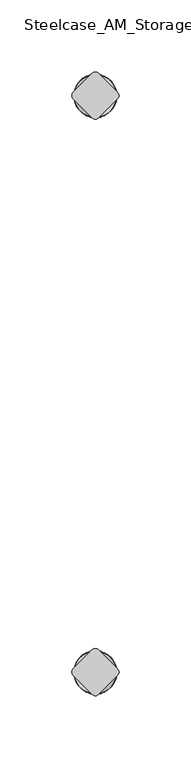
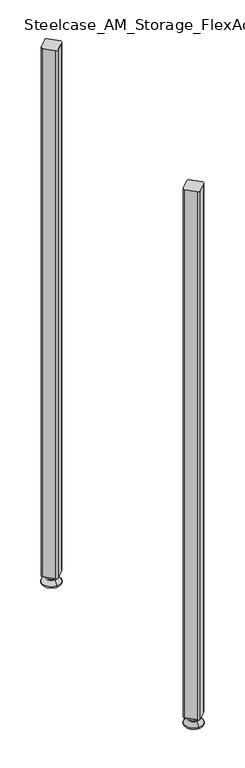
"""IFC4 building model written with IfcOpenShell, lengths in millimetres: furniture geometry, Steelcase_AM_Storage_FlexActiveFrames_FrameExtension : 2 High."""

from ifc_helpers import new_model, si_unit, point, frame, frame_2d, origin, place, context, project, spatial, polyline, circle_curve, ellipse_curve, trimmed, segment, composite_curve, outline, extrude, source, transform, mapped, element, save
from ifc_brep_helpers import plane_surface, cylinder_surface, revolved_surface, advanced_brep


def steelcase_am_storage_flexactiveframes_frameextension_2_high_744c0d1b(model_context):
    return source(origin(), model_context, "Body", "SolidModel", [
        advanced_brep(
        [(400.05, -3.999659, 15.9766), (400.05, 0.0, 15.9766), (400.05, 3.999659, 15.9766), (400.05, -3.999659, 12.6000054), (400.05, 3.999659, 12.6000054), (400.05, -5.8601455, 12.6000054), (400.05, 5.8601455, 12.6000054), (400.05, -6.4951462, 11.9650074), (400.05, 6.4951462, 11.9650074), (400.05, -6.4951462, 9.0000124), (400.05, 6.4951462, 9.0000124), (400.05, -8.7421976, 9.0000124), (400.05, 8.7421976, 9.0000124), (400.05, -14.7060077, 2.3275608), (400.05, 14.7060077, 2.3275608), (400.05, -13.664601, 0.0), (400.05, 13.664601, 0.0), (400.05, 0.0, 0.0)],
        [
            (0, 1),
            (1, 2),
            (2, 0, circle_curve(frame((400.05, 0.0, 15.9766), z_axis=(0.0, 0.0, 1.0), x_axis=(0.0, 1.0, 0.0)), 3.999659)),
            (0, 2, circle_curve(frame((400.05, 0.0, 15.9766), z_axis=(0.0, 0.0, 1.0), x_axis=(0.0, 1.0, 0.0)), 3.999659)),
            (3, 0),
            (2, 4),
            (4, 3, circle_curve(frame((400.05, 0.0, 12.6000054), z_axis=(0.0, 0.0, 1.0), x_axis=(0.0, 1.0, 0.0)), 3.999659)),
            (3, 4, circle_curve(frame((400.05, 0.0, 12.6000054), z_axis=(0.0, 0.0, 1.0), x_axis=(0.0, 1.0, 0.0)), 3.999659)),
            (5, 3),
            (4, 6),
            (6, 5, circle_curve(frame((400.05, 0.0, 12.6000054), z_axis=(0.0, 0.0, 1.0), x_axis=(0.0, 1.0, 0.0)), 5.8601455)),
            (5, 6, circle_curve(frame((400.05, 0.0, 12.6000054), z_axis=(0.0, 0.0, 1.0), x_axis=(0.0, 1.0, 0.0)), 5.8601455)),
            (7, 5, circle_curve(frame((400.05, -5.8601462, 11.9650074), z_axis=(-1.0, 0.0, 0.0), x_axis=(0.0, -1.0, 0.0)), 0.635)),
            (6, 8, circle_curve(frame((400.05, 5.8601462, 11.9650074), z_axis=(-1.0, 0.0, 0.0), x_axis=(0.0, 1.0, 0.0)), 0.635)),
            (8, 7, circle_curve(frame((400.05, 0.0, 11.9650074), z_axis=(0.0, 0.0, 1.0), x_axis=(0.0, 1.0, 0.0)), 6.4951462)),
            (7, 8, circle_curve(frame((400.05, 0.0, 11.9650074), z_axis=(0.0, 0.0, 1.0), x_axis=(0.0, 1.0, 0.0)), 6.4951462)),
            (9, 7),
            (8, 10),
            (10, 9, circle_curve(frame((400.05, 0.0, 9.0000124), z_axis=(0.0, 0.0, 1.0), x_axis=(0.0, 1.0, 0.0)), 6.4951462)),
            (9, 10, circle_curve(frame((400.05, 0.0, 9.0000124), z_axis=(0.0, 0.0, 1.0), x_axis=(0.0, 1.0, 0.0)), 6.4951462)),
            (11, 9),
            (10, 12),
            (12, 11, circle_curve(frame((400.05, 0.0, 9.0000124), z_axis=(0.0, 0.0, 1.0), x_axis=(0.0, 1.0, 0.0)), 8.7421976)),
            (11, 12, circle_curve(frame((400.05, 0.0, 9.0000124), z_axis=(0.0, 0.0, 1.0), x_axis=(0.0, 1.0, 0.0)), 8.7421976)),
            (13, 11),
            (12, 14),
            (14, 13, circle_curve(frame((400.05, 0.0, 2.3275608), z_axis=(0.0, 0.0, 1.0), x_axis=(0.0, 1.0, 0.0)), 14.7060077)),
            (13, 14, circle_curve(frame((400.05, 0.0, 2.3275608), z_axis=(0.0, 0.0, 1.0), x_axis=(0.0, 1.0, 0.0)), 14.7060077)),
            (15, 13, circle_curve(frame((400.05, -13.664601, 1.3967556), z_axis=(-1.0, 0.0, 0.0), x_axis=(0.0, -1.0, 0.0)), 1.3967556)),
            (14, 16, circle_curve(frame((400.05, 13.664601, 1.3967556), z_axis=(-1.0, 0.0, 0.0), x_axis=(0.0, 1.0, 0.0)), 1.3967556)),
            (16, 15, circle_curve(frame((400.05, 0.0, 0.0), z_axis=(0.0, 0.0, 1.0), x_axis=(0.0, 1.0, 0.0)), 13.664601)),
            (15, 16, circle_curve(frame((400.05, 0.0, 0.0), z_axis=(0.0, 0.0, 1.0), x_axis=(0.0, 1.0, 0.0)), 13.664601)),
            (17, 15),
            (16, 17),
        ],
        [
            plane_surface(frame((400.05, 0.0, 15.9766), z_axis=(0.0, 0.0, 1.0), x_axis=(0.0, 1.0, 0.0))),
            cylinder_surface(frame((400.05, 0.0, -4.132372), z_axis=(0.0, 0.0, -1.0), x_axis=(0.0, 1.0, 0.0)), 3.999659),
            plane_surface(frame((400.05, 0.0, 12.6000054), z_axis=(0.0, 0.0, 1.0), x_axis=(0.0, 1.0, 0.0))),
            revolved_surface(trimmed(ellipse_curve(frame((400.05, 5.8601462, 11.9650074), z_axis=(-1.0, 0.0, 0.0), x_axis=(0.0, 1.0, 0.0)), 0.635, 0.635), [point((400.05, 5.8601455, 12.6000074))], [point((400.05, 6.4951462, 11.9650074))], True, "CARTESIAN"), (400.05, 0.0, -4.132372), (0.0, 0.0, -1.0)),
            cylinder_surface(frame((400.05, 0.0, -4.132372), z_axis=(0.0, 0.0, -1.0), x_axis=(0.0, 1.0, 0.0)), 6.4951462),
            plane_surface(frame((400.05, 0.0, 9.0000124), z_axis=(0.0, 0.0, 1.0), x_axis=(0.0, 1.0, 0.0))),
            revolved_surface(polyline([(400.05, 8.7421976, 9.0000124), (400.05, 14.7060077, 2.3275608)]), (400.05, 0.0, -4.132372), (0.0, 0.0, -1.0)),
            revolved_surface(trimmed(ellipse_curve(frame((400.05, 13.664601, 1.3967556), z_axis=(-1.0, 0.0, 0.0), x_axis=(0.0, 1.0, 0.0)), 1.3967556, 1.3967556), [point((400.05, 14.7060077, 2.3275608))], [point((400.05, 13.664601, 0.0))], True, "CARTESIAN"), (400.05, 0.0, -4.132372), (0.0, 0.0, -1.0)),
            plane_surface(frame((400.05, 0.0, 0.0), z_axis=(0.0, 0.0, -1.0), x_axis=(0.0, 1.0, 0.0))),
        ],
        [
            (0, [[1, 2, 3]]),
            (0, [[-2, -1, 4]]),
            (1, [[5, -3, 6, 7]]),
            (1, [[-6, -4, -5, 8]]),
            (2, [[9, -7, 10, 11]]),
            (2, [[-10, -8, -9, 12]]),
            (3, [[13, -11, 14, 15]]),
            (3, [[-14, -12, -13, 16]]),
            (4, [[17, -15, 18, 19]]),
            (4, [[-18, -16, -17, 20]]),
            (5, [[21, -19, 22, 23]]),
            (5, [[-22, -20, -21, 24]]),
            (6, [[25, -23, 26, 27]]),
            (6, [[-26, -24, -25, 28]]),
            (7, [[29, -27, 30, 31]]),
            (7, [[-30, -28, -29, 32]]),
            (8, [[33, -31, 34]]),
            (8, [[-34, -32, -33]]),
        ],
    ),
        advanced_brep(
        [(400.05, 400.05, 15.9766), (400.05, 404.049659, 15.9766), (400.05, 396.050341, 15.9766), (400.05, 404.049659, 12.6000054), (400.05, 396.050341, 12.6000054), (400.05, 405.9101455, 12.6000074), (400.05, 394.1898545, 12.6000074), (400.05, 406.5451462, 11.9650074), (400.05, 393.5548538, 11.9650074), (400.05, 406.5451462, 9.0000124), (400.05, 393.5548538, 9.0000124), (400.05, 408.7921976, 9.0000124), (400.05, 391.3078024, 9.0000124), (400.05, 414.7560077, 2.3275608), (400.05, 385.3439923, 2.3275608), (400.05, 413.714601, 0.0), (400.05, 386.385399, 0.0), (400.05, 400.05, 0.0)],
        [
            (0, 1),
            (1, 2, circle_curve(frame((400.05, 400.05, 15.9766), z_axis=(0.0, 0.0, 1.0), x_axis=(0.0, -1.0, 0.0)), 3.999659)),
            (2, 0),
            (2, 1, circle_curve(frame((400.05, 400.05, 15.9766), z_axis=(0.0, 0.0, 1.0), x_axis=(0.0, -1.0, 0.0)), 3.999659)),
            (1, 3),
            (3, 4, circle_curve(frame((400.05, 400.05, 12.6000054), z_axis=(0.0, 0.0, 1.0), x_axis=(0.0, -1.0, 0.0)), 3.999659)),
            (4, 2),
            (4, 3, circle_curve(frame((400.05, 400.05, 12.6000054), z_axis=(0.0, 0.0, 1.0), x_axis=(0.0, -1.0, 0.0)), 3.999659)),
            (3, 5),
            (5, 6, circle_curve(frame((400.05, 400.05, 12.6000074), z_axis=(0.0, 0.0, 1.0), x_axis=(0.0, -1.0, 0.0)), 5.8601455)),
            (6, 4),
            (6, 5, circle_curve(frame((400.05, 400.05, 12.6000074), z_axis=(0.0, 0.0, 1.0), x_axis=(0.0, -1.0, 0.0)), 5.8601455)),
            (5, 7, circle_curve(frame((400.05, 405.9101462, 11.9650074), z_axis=(-1.0, 0.0, 0.0), x_axis=(0.0, 1.0, 0.0)), 0.635)),
            (7, 8, circle_curve(frame((400.05, 400.05, 11.9650074), z_axis=(0.0, 0.0, 1.0), x_axis=(0.0, -1.0, 0.0)), 6.4951462)),
            (8, 6, circle_curve(frame((400.05, 394.1898538, 11.9650074), z_axis=(-1.0, 0.0, 0.0), x_axis=(0.0, -1.0, 0.0)), 0.635)),
            (8, 7, circle_curve(frame((400.05, 400.05, 11.9650074), z_axis=(0.0, 0.0, 1.0), x_axis=(0.0, -1.0, 0.0)), 6.4951462)),
            (7, 9),
            (9, 10, circle_curve(frame((400.05, 400.05, 9.0000124), z_axis=(0.0, 0.0, 1.0), x_axis=(0.0, -1.0, 0.0)), 6.4951462)),
            (10, 8),
            (10, 9, circle_curve(frame((400.05, 400.05, 9.0000124), z_axis=(0.0, 0.0, 1.0), x_axis=(0.0, -1.0, 0.0)), 6.4951462)),
            (9, 11),
            (11, 12, circle_curve(frame((400.05, 400.05, 9.0000124), z_axis=(0.0, 0.0, 1.0), x_axis=(0.0, -1.0, 0.0)), 8.7421976)),
            (12, 10),
            (12, 11, circle_curve(frame((400.05, 400.05, 9.0000124), z_axis=(0.0, 0.0, 1.0), x_axis=(0.0, -1.0, 0.0)), 8.7421976)),
            (11, 13),
            (13, 14, circle_curve(frame((400.05, 400.05, 2.3275608), z_axis=(0.0, 0.0, 1.0), x_axis=(0.0, -1.0, 0.0)), 14.7060077)),
            (14, 12),
            (14, 13, circle_curve(frame((400.05, 400.05, 2.3275608), z_axis=(0.0, 0.0, 1.0), x_axis=(0.0, -1.0, 0.0)), 14.7060077)),
            (13, 15, circle_curve(frame((400.05, 413.714601, 1.3967556), z_axis=(-1.0, 0.0, 0.0), x_axis=(0.0, 1.0, 0.0)), 1.3967556)),
            (15, 16, circle_curve(frame((400.05, 400.05, 0.0), z_axis=(0.0, 0.0, 1.0), x_axis=(0.0, -1.0, 0.0)), 13.664601)),
            (16, 14, circle_curve(frame((400.05, 386.385399, 1.3967556), z_axis=(-1.0, 0.0, 0.0), x_axis=(0.0, -1.0, 0.0)), 1.3967556)),
            (16, 15, circle_curve(frame((400.05, 400.05, 0.0), z_axis=(0.0, 0.0, 1.0), x_axis=(0.0, -1.0, 0.0)), 13.664601)),
            (15, 17),
            (17, 16),
        ],
        [
            plane_surface(frame((400.05, 400.05, 15.9766), z_axis=(0.0, 0.0, 1.0), x_axis=(0.0, -1.0, 0.0))),
            cylinder_surface(frame((400.05, 400.05, -4.132372), z_axis=(0.0, 0.0, 1.0), x_axis=(0.0, -1.0, 0.0)), 3.999659),
            plane_surface(frame((400.05, 400.05, 12.6000074), z_axis=(0.0, 0.0, 1.0), x_axis=(0.0, -1.0, 0.0))),
            revolved_surface(trimmed(ellipse_curve(frame((400.05, 394.1898538, 11.9650074), z_axis=(-1.0, 0.0, 0.0), x_axis=(0.0, -1.0, 0.0)), 0.635, 0.635), [point((400.05, 393.5548538, 11.9650074))], [point((400.05, 394.1898545, 12.6000074))], True, "CARTESIAN"), (400.05, 400.05, -4.132372), (0.0, 0.0, 1.0)),
            cylinder_surface(frame((400.05, 400.05, -4.132372), z_axis=(0.0, 0.0, 1.0), x_axis=(0.0, -1.0, 0.0)), 6.4951462),
            plane_surface(frame((400.05, 400.05, 9.0000124), z_axis=(0.0, 0.0, 1.0), x_axis=(0.0, -1.0, 0.0))),
            revolved_surface(polyline([(400.05, 385.3439923, 2.3275608), (400.05, 391.3078024, 9.0000124)]), (400.05, 400.05, -4.132372), (0.0, 0.0, 1.0)),
            revolved_surface(trimmed(ellipse_curve(frame((400.05, 386.385399, 1.3967556), z_axis=(-1.0, 0.0, 0.0), x_axis=(0.0, -1.0, 0.0)), 1.3967556, 1.3967556), [point((400.05, 386.385399, 0.0))], [point((400.05, 385.3439923, 2.3275608))], True, "CARTESIAN"), (400.05, 400.05, -4.132372), (0.0, 0.0, 1.0)),
            plane_surface(frame((400.05, 400.05, 0.0), z_axis=(0.0, 0.0, -1.0), x_axis=(0.0, -1.0, 0.0))),
        ],
        [
            (0, [[1, 2, 3]]),
            (0, [[-3, 4, -1]]),
            (1, [[5, 6, 7, -2]]),
            (1, [[-7, 8, -5, -4]]),
            (2, [[9, 10, 11, -6]]),
            (2, [[-11, 12, -9, -8]]),
            (3, [[13, 14, 15, -10]]),
            (3, [[-15, 16, -13, -12]]),
            (4, [[17, 18, 19, -14]]),
            (4, [[-19, 20, -17, -16]]),
            (5, [[21, 22, 23, -18]]),
            (5, [[-23, 24, -21, -20]]),
            (6, [[25, 26, 27, -22]]),
            (6, [[-27, 28, -25, -24]]),
            (7, [[29, 30, 31, -26]]),
            (7, [[-31, 32, -29, -28]]),
            (8, [[33, 34, -30]]),
            (8, [[-34, -33, -32]]),
        ],
    ),
        extrude(outline(composite_curve([segment(polyline([(402.295064, 15.4326055), (415.4826055, 2.245064)]), True, "CONTINUOUS"), segment(trimmed(circle_curve(frame_2d((413.2375415, 0.0)), 3.175), [point((415.4826055, 2.245064))], [point((415.4826055, -2.245064))], False, "CARTESIAN"), True, "CONTINUOUS"), segment(polyline([(415.4826055, -2.245064), (402.295064, -15.4326055)]), True, "CONTINUOUS"), segment(trimmed(circle_curve(frame_2d((400.05, -13.1875415)), 3.175), [point((402.295064, -15.4326055))], [point((397.804936, -15.4326055))], False, "CARTESIAN"), True, "CONTINUOUS"), segment(polyline([(397.804936, -15.4326055), (384.6173945, -2.245064)]), True, "CONTINUOUS"), segment(trimmed(circle_curve(frame_2d((386.8624585, 0.0)), 3.175), [point((384.6173945, -2.245064))], [point((384.6173945, 2.245064))], False, "CARTESIAN"), True, "CONTINUOUS"), segment(polyline([(384.6173945, 2.245064), (397.804936, 15.4326055)]), True, "CONTINUOUS"), segment(trimmed(circle_curve(frame_2d((400.05, 13.1875415)), 3.175), [point((397.804936, 15.4326055))], [point((402.295064, 15.4326055))], False, "CARTESIAN"), True, "CONTINUOUS")], self_intersect=False)), frame((0.0, 0.0, 15.9766), z_axis=(0.0, 0.0, 1.0), x_axis=(1.0, 0.0, 0.0)), (0.0, 0.0, 1.0), 907.3134),
        extrude(outline(composite_curve([segment(trimmed(circle_curve(frame_2d((400.05, 386.8624585)), 3.175), [point((402.295064, 384.6173945))], [point((397.804936, 384.6173945))], False, "CARTESIAN"), True, "CONTINUOUS"), segment(polyline([(397.804936, 384.6173945), (384.6173945, 397.804936)]), True, "CONTINUOUS"), segment(trimmed(circle_curve(frame_2d((386.8624585, 400.05)), 3.175), [point((384.6173945, 397.804936))], [point((384.6173945, 402.295064))], False, "CARTESIAN"), True, "CONTINUOUS"), segment(polyline([(384.6173945, 402.295064), (397.804936, 415.4826055)]), True, "CONTINUOUS"), segment(trimmed(circle_curve(frame_2d((400.05, 413.2375415)), 3.175), [point((397.804936, 415.4826055))], [point((402.295064, 415.4826055))], False, "CARTESIAN"), True, "CONTINUOUS"), segment(polyline([(402.295064, 415.4826055), (415.4826055, 402.295064)]), True, "CONTINUOUS"), segment(trimmed(circle_curve(frame_2d((413.2375415, 400.05)), 3.175), [point((415.4826055, 402.295064))], [point((415.4826055, 397.804936))], False, "CARTESIAN"), True, "CONTINUOUS"), segment(polyline([(415.4826055, 397.804936), (402.295064, 384.6173945)]), True, "CONTINUOUS")], self_intersect=False)), frame((0.0, 0.0, 15.9766), z_axis=(0.0, 0.0, 1.0), x_axis=(1.0, 0.0, 0.0)), (0.0, 0.0, 1.0), 907.3134),
    ])


if __name__ == "__main__":
    model = new_model("IFC4")
    model_context = context("Model", 3, world=origin())
    ifc_project = project(units=[si_unit("LENGTHUNIT", "METRE", prefix="MILLI")], contexts=[model_context])
    site = spatial("IfcSite", under=ifc_project)
    building = spatial("IfcBuilding", under=site)
    placement = place(None, origin())
    steelcase_am_storage_flexactiveframes_frameextension_2_high_shape = steelcase_am_storage_flexactiveframes_frameextension_2_high_744c0d1b(model_context)
    element("IfcFurniture", 1, ObjectType="Steelcase_AM_Storage_FlexActiveFrames_FrameExtension : 2 High", at=placement, inside=building, context=model_context, shape_type="MappedRepresentation", body=[
        mapped(steelcase_am_storage_flexactiveframes_frameextension_2_high_shape, transform((0.0, 0.0, 0.0), x_axis=(1.0, 0.0, 0.0), y_axis=(0.0, 1.0, 0.0), z_axis=(0.0, 0.0, 1.0))),
    ])
    save(model, "model.ifc")
